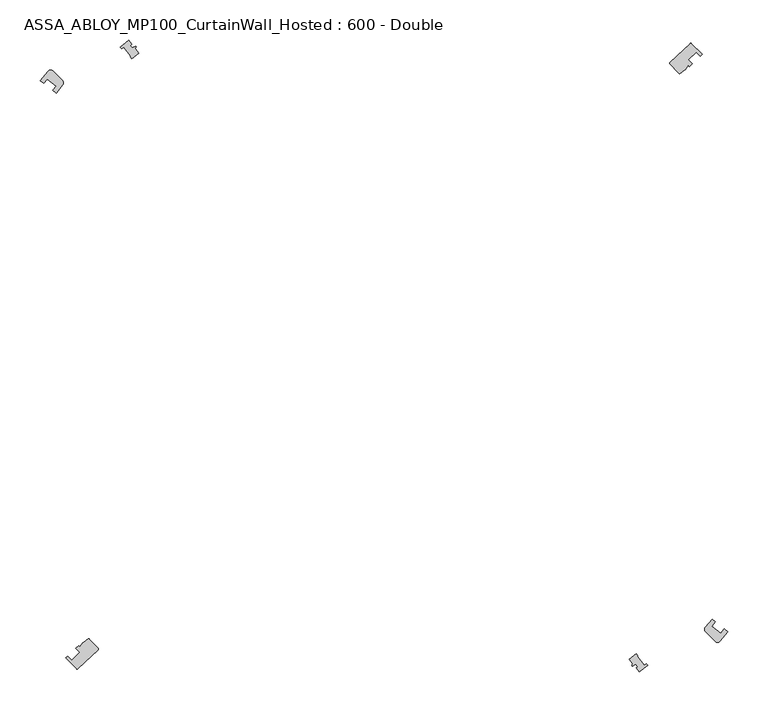
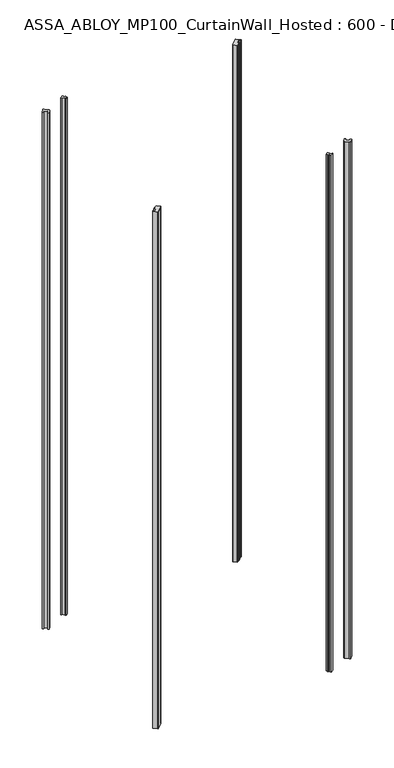
"""IFC4 building model written with IfcOpenShell, lengths in millimetres: plate geometry, ASSA_ABLOY_MP100_CurtainWall_Hosted : 600 - Double."""

from ifc_helpers import new_model, si_unit, point, frame_2d, origin, origin_with_axes, origin_2d, place, context, project, spatial, polyline, circle_curve, trimmed, segment, composite_curve, outline, extrude, source, transform, mapped, element, save


def assa_abloy_mp100_curtainwall_hosted_600_double_2dcc0e6c(model_context):
    return source(origin(), model_context, "Body", "SweptSolid", [
        extrude(outline(composite_curve([segment(polyline([(354.309861, 363.9260974), (379.5181586, 387.7811579)]), True, "CONTINUOUS"), segment(trimmed(circle_curve(frame_2d((380.2055009, 387.0548244)), 1.0), [point((379.5181586, 387.7811579))], [point((380.9086308, 387.7658858))], False, "CARTESIAN"), True, "CONTINUOUS"), segment(trimmed(circle_curve(frame_2d((-226.9812768, -226.9812768)), 864.5485606), [point((380.9086308, 387.7658858))], [point((394.2398982, 374.2910953))], False, "CARTESIAN"), True, "CONTINUOUS"), segment(polyline([(394.2398982, 374.2910953), (392.0842489, 372.2046687)]), True, "CONTINUOUS"), segment(trimmed(circle_curve(frame_2d((-226.9812768, -226.9812768)), 861.5485606), [point((392.0842489, 372.2046687))], [point((387.1954863, 377.2147395))], True, "CARTESIAN"), True, "CONTINUOUS"), segment(polyline([(387.1954863, 377.2147395), (377.1354518, 367.4777553)]), True, "CONTINUOUS"), segment(trimmed(circle_curve(frame_2d((-226.9812768, -226.9812768)), 847.5485606), [point((377.1354518, 367.4777553))], [point((382.024552, 362.4680112))], False, "CARTESIAN"), True, "CONTINUOUS"), segment(polyline([(382.024552, 362.4680112), (378.5534122, 359.1083375), (377.0685939, 360.6810892), (373.0720284, 355.5803959)]), True, "CONTINUOUS"), segment(trimmed(circle_curve(frame_2d((369.9234226, 358.0474349)), 4.0), [point((373.0720284, 355.5803959))], [point((372.2131569, 354.7676305))], False, "CARTESIAN"), True, "CONTINUOUS"), segment(polyline([(372.2131569, 354.7676305), (366.2664891, 350.6160751)]), True, "CONTINUOUS"), segment(trimmed(circle_curve(frame_2d((365.9946815, 351.5784267)), 1.0), [point((366.2664891, 350.6160751))], [point((365.268348, 350.8910843))], False, "CARTESIAN"), True, "CONTINUOUS"), segment(polyline([(365.268348, 350.8910843), (354.2708699, 362.5124214)]), True, "CONTINUOUS"), segment(trimmed(circle_curve(frame_2d((354.9972034, 363.1997638)), 1.0), [point((354.2708699, 362.5124214))], [point((354.309861, 363.9260974))], False, "CARTESIAN"), True, "CONTINUOUS")], self_intersect=False)), origin_with_axes(), (0.0, 0.0, 1.0), 2200.0),
        extrude(outline(composite_curve([segment(polyline([(-354.309861, -363.9260974), (-379.5181586, -387.7811579)]), True, "CONTINUOUS"), segment(trimmed(circle_curve(frame_2d((-380.2055009, -387.0548244)), 1.0), [point((-379.5181586, -387.7811579))], [point((-380.9086308, -387.7658858))], False, "CARTESIAN"), True, "CONTINUOUS"), segment(trimmed(circle_curve(frame_2d((226.9812768, 226.9812768)), 864.5485606), [point((-380.9086308, -387.7658858))], [point((-394.2398982, -374.2910953))], False, "CARTESIAN"), True, "CONTINUOUS"), segment(polyline([(-394.2398982, -374.2910953), (-392.0842489, -372.2046687)]), True, "CONTINUOUS"), segment(trimmed(circle_curve(frame_2d((226.9812768, 226.9812768)), 861.5485606), [point((-392.0842489, -372.2046687))], [point((-387.1954863, -377.2147395))], True, "CARTESIAN"), True, "CONTINUOUS"), segment(polyline([(-387.1954863, -377.2147395), (-377.1354518, -367.4777553)]), True, "CONTINUOUS"), segment(trimmed(circle_curve(frame_2d((226.9812768, 226.9812768)), 847.5485606), [point((-377.1354518, -367.4777553))], [point((-382.024552, -362.4680112))], False, "CARTESIAN"), True, "CONTINUOUS"), segment(polyline([(-382.024552, -362.4680112), (-378.5534122, -359.1083375), (-377.0685939, -360.6810892), (-373.0720284, -355.5803959)]), True, "CONTINUOUS"), segment(trimmed(circle_curve(frame_2d((-369.9234226, -358.0474349)), 4.0), [point((-373.0720284, -355.5803959))], [point((-372.2131569, -354.7676305))], False, "CARTESIAN"), True, "CONTINUOUS"), segment(polyline([(-372.2131569, -354.7676305), (-366.2664891, -350.6160751)]), True, "CONTINUOUS"), segment(trimmed(circle_curve(frame_2d((-365.9946815, -351.5784267)), 1.0), [point((-366.2664891, -350.6160751))], [point((-365.268348, -350.8910843))], False, "CARTESIAN"), True, "CONTINUOUS"), segment(polyline([(-365.268348, -350.8910843), (-354.2708699, -362.5124214)]), True, "CONTINUOUS"), segment(trimmed(circle_curve(frame_2d((-354.9972034, -363.1997638)), 1.0), [point((-354.2708699, -362.5124214))], [point((-354.309861, -363.9260974))], False, "CARTESIAN"), True, "CONTINUOUS")], self_intersect=False)), origin_with_axes(), (0.0, 0.0, 1.0), 2200.0),
        extrude(outline(composite_curve([segment(polyline([(-425.8765308, 341.8230716), (-416.2143175, 353.5806112)]), True, "CONTINUOUS"), segment(trimmed(circle_curve(frame_2d((-413.1891131, 350.9637164)), 4.0), [point((-416.2143175, 353.5806112))], [point((-410.360686, 353.7921435))], False, "CARTESIAN"), True, "CONTINUOUS"), segment(polyline([(-410.360686, 353.7921435), (-398.3631839, 341.7946414)]), True, "CONTINUOUS"), segment(trimmed(circle_curve(frame_2d((-401.191611, 338.9662143)), 4.0), [point((-398.3631839, 341.7946414))], [point((-398.1011862, 336.426672))], False, "CARTESIAN"), True, "CONTINUOUS"), segment(polyline([(-398.1011862, 336.426672), (-406.4678968, 326.2450381), (-410.638281, 329.5923311)]), True, "CONTINUOUS"), segment(trimmed(circle_curve(origin_2d(), 526.55), [point((-410.638281, 329.5923311))], [point((-406.2203646, 335.0222648))], False, "CARTESIAN"), True, "CONTINUOUS"), segment(polyline([(-406.2203646, 335.0222648), (-417.1394242, 343.7862756)]), True, "CONTINUOUS"), segment(trimmed(circle_curve(origin_2d(), 540.55), [point((-417.1394242, 343.7862756))], [point((-421.5564007, 338.3555874))], True, "CARTESIAN"), True, "CONTINUOUS"), segment(polyline([(-421.5564007, 338.3555874), (-425.8765308, 341.8230716)]), True, "CONTINUOUS")], self_intersect=False)), origin_with_axes(), (0.0, 0.0, 1.0), 2200.0),
        extrude(outline(composite_curve([segment(polyline([(425.8791701, -341.8198569), (416.2143035, -353.5806252)]), True, "CONTINUOUS"), segment(trimmed(circle_curve(frame_2d((413.1895408, -350.9754066)), 3.9920362), [point((416.2143035, -353.5806252))], [point((410.3667449, -353.7982024))], False, "CARTESIAN"), True, "CONTINUOUS"), segment(polyline([(410.3667449, -353.7982024), (398.4563385, -341.887796)]), True, "CONTINUOUS"), segment(trimmed(circle_curve(frame_2d((401.2847656, -339.0593689)), 4.0), [point((398.4563385, -341.887796))], [point((398.1943408, -336.5198266))], False, "CARTESIAN"), True, "CONTINUOUS"), segment(polyline([(398.1943408, -336.5198266), (406.5726762, -326.3240462), (410.6396687, -329.5883026)]), True, "CONTINUOUS"), segment(trimmed(circle_curve(origin_2d(), 526.5485606), [point((410.6396687, -329.5883026))], [point((406.2217935, -335.0182698))], False, "CARTESIAN"), True, "CONTINUOUS"), segment(polyline([(406.2217935, -335.0182698), (417.1409199, -343.7821974)]), True, "CONTINUOUS"), segment(trimmed(circle_curve(origin_2d(), 540.5485606), [point((417.1409199, -343.7821974))], [point((421.5578551, -338.3514758))], True, "CARTESIAN"), True, "CONTINUOUS"), segment(polyline([(421.5578551, -338.3514758), (425.8791701, -341.8198569)]), True, "CONTINUOUS")], self_intersect=False)), origin_with_axes(), (0.0, 0.0, 1.0), 2200.0),
        extrude(outline(composite_curve([segment(polyline([(-308.4434906, 381.5684633), (-303.9817681, 375.9884768)]), True, "CONTINUOUS"), segment(trimmed(circle_curve(origin_2d(), 483.5), [point((-303.9817681, 375.9884768))], [point((-312.4298685, 368.998411))], True, "CARTESIAN"), True, "CONTINUOUS"), segment(polyline([(-312.4298685, 368.998411), (-314.7506937, 371.3192362), (-313.7087413, 372.1523749), (-322.4517632, 383.0867046), (-324.7113837, 381.2799262), (-326.7178297, 383.2863722)]), True, "CONTINUOUS"), segment(trimmed(circle_curve(origin_2d(), 503.6397357), [point((-326.7178297, 383.2863722))], [point((-316.5592408, 391.718305))], False, "CARTESIAN"), True, "CONTINUOUS"), segment(polyline([(-316.5592408, 391.718305), (-312.5027508, 386.6451164), (-314.4553096, 385.0838625), (-312.2695542, 382.35028), (-307.5277629, 384.4264147), (-306.9092684, 383.6529038), (-308.4434906, 381.5684633)]), True, "CONTINUOUS")], self_intersect=False)), origin_with_axes(), (0.0, 0.0, 1.0), 2200.0),
        extrude(outline(composite_curve([segment(polyline([(308.396512, -381.5214848), (303.9817681, -375.9884768)]), True, "CONTINUOUS"), segment(trimmed(circle_curve(origin_2d(), 483.5), [point((303.9817681, -375.9884768))], [point((312.4298685, -368.998411))], True, "CARTESIAN"), True, "CONTINUOUS"), segment(polyline([(312.4298685, -368.998411), (314.7506937, -371.3192362), (313.7087413, -372.1523749), (322.4517633, -383.0867046), (324.7113837, -381.2799262), (326.6709655, -383.239508)]), True, "CONTINUOUS"), segment(trimmed(circle_curve(origin_2d(), 503.5736691), [point((326.6709655, -383.239508))], [point((316.5122623, -391.6713265))], False, "CARTESIAN"), True, "CONTINUOUS"), segment(polyline([(316.5122623, -391.6713265), (312.4557722, -386.5981379), (314.4083311, -385.036884), (312.2225756, -382.3033015), (307.4807844, -384.3794362), (306.8622899, -383.6059253), (308.396512, -381.5214848)]), True, "CONTINUOUS")], self_intersect=False)), origin_with_axes(), (0.0, 0.0, 1.0), 2200.0),
    ])


if __name__ == "__main__":
    model = new_model("IFC4")
    model_context = context("Model", 3, world=origin())
    ifc_project = project(units=[si_unit("LENGTHUNIT", "METRE", prefix="MILLI")], contexts=[model_context])
    site = spatial("IfcSite", under=ifc_project)
    building = spatial("IfcBuilding", under=site)
    placement = place(None, origin())
    assa_abloy_mp100_curtainwall_hosted_600_double_shape = assa_abloy_mp100_curtainwall_hosted_600_double_2dcc0e6c(model_context)
    element("IfcPlate", 1, ObjectType="ASSA_ABLOY_MP100_CurtainWall_Hosted : 600 - Double", at=placement, inside=building, context=model_context, shape_type="MappedRepresentation", body=[
        mapped(assa_abloy_mp100_curtainwall_hosted_600_double_shape, transform((0.0, 0.0, 0.0), x_axis=(1.0, 0.0, 0.0), y_axis=(0.0, 1.0, 0.0), z_axis=(0.0, 0.0, 1.0))),
    ])
    save(model, "model.ifc")
